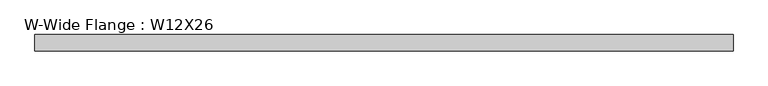
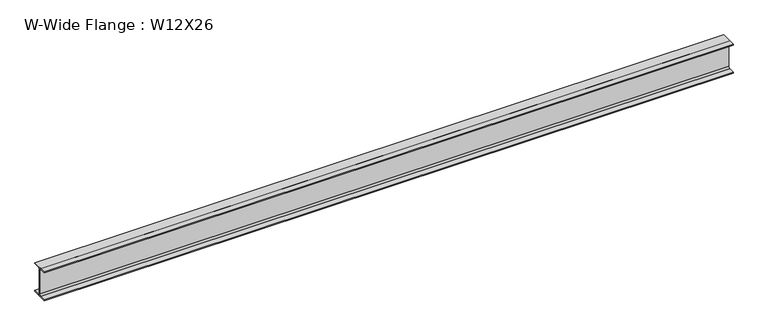
"""IFC4 building model written with IfcOpenShell, lengths in millimetres: beam geometry, W-Wide Flange : W12X26."""

from ifc_helpers import new_model, si_unit, point, frame, frame_2d, origin, place, context, project, spatial, polyline, circle_curve, trimmed, segment, composite_curve, outline, extrude, source, transform, mapped, element, save


def w_wide_flange_w12x26_6af2c90e(model_context):
    return source(origin(), model_context, "Body", "SweptSolid", [
        extrude(outline(composite_curve([segment(polyline([(82.4011719, -145.5539063), (82.4011719, -155.178125), (-82.4011719, -155.178125), (-82.4011719, -145.5539063), (-20.2902344, -145.5539063)]), True, "CONTINUOUS"), segment(trimmed(circle_curve(frame_2d((-20.2902344, -128.190625)), 17.3632812), [point((-20.2902344, -145.5539063))], [point((-2.9269531, -128.190625))], True, "CARTESIAN"), True, "CONTINUOUS"), segment(polyline([(-2.9269531, -128.190625), (-2.9269531, 128.190625)]), True, "CONTINUOUS"), segment(trimmed(circle_curve(frame_2d((-20.2902344, 128.190625)), 17.3632812), [point((-2.9269531, 128.190625))], [point((-20.2902344, 145.5539062))], True, "CARTESIAN"), True, "CONTINUOUS"), segment(polyline([(-20.2902344, 145.5539062), (-82.4011719, 145.5539062), (-82.4011719, 155.178125), (82.4011719, 155.178125), (82.4011719, 145.5539062), (20.2902344, 145.5539062)]), True, "CONTINUOUS"), segment(trimmed(circle_curve(frame_2d((20.2902344, 128.190625)), 17.3632812), [point((20.2902344, 145.5539062))], [point((2.9269531, 128.190625))], True, "CARTESIAN"), True, "CONTINUOUS"), segment(polyline([(2.9269531, 128.190625), (2.9269531, -128.190625)]), True, "CONTINUOUS"), segment(trimmed(circle_curve(frame_2d((20.2902344, -128.190625)), 17.3632812), [point((2.9269531, -128.190625))], [point((20.2902344, -145.5539063))], True, "CARTESIAN"), True, "CONTINUOUS"), segment(polyline([(20.2902344, -145.5539063), (82.4011719, -145.5539063)]), True, "CONTINUOUS")], self_intersect=False)), frame((-3444.875, 0.0, 0.0), z_axis=(1.0, 0.0, 0.0), x_axis=(0.0, 1.0, 0.0)), (0.0, 0.0, 1.0), 7004.05),
    ])


if __name__ == "__main__":
    model = new_model("IFC4")
    model_context = context("Model", 3, world=origin())
    ifc_project = project(units=[si_unit("LENGTHUNIT", "METRE", prefix="MILLI")], contexts=[model_context])
    site = spatial("IfcSite", under=ifc_project)
    building = spatial("IfcBuilding", under=site)
    placement = place(None, origin())
    w_wide_flange_w12x26_shape = w_wide_flange_w12x26_6af2c90e(model_context)
    element("IfcBeam", 1, ObjectType="W-Wide Flange : W12X26", at=placement, inside=building, context=model_context, shape_type="MappedRepresentation", body=[
        mapped(w_wide_flange_w12x26_shape, transform((0.0, 0.0, 0.0), x_axis=(1.0, 0.0, 0.0), y_axis=(0.0, 1.0, 0.0), z_axis=(0.0, 0.0, 1.0))),
    ])
    save(model, "model.ifc")
